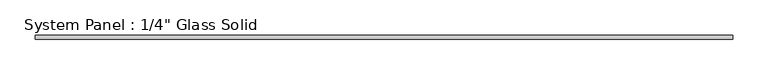
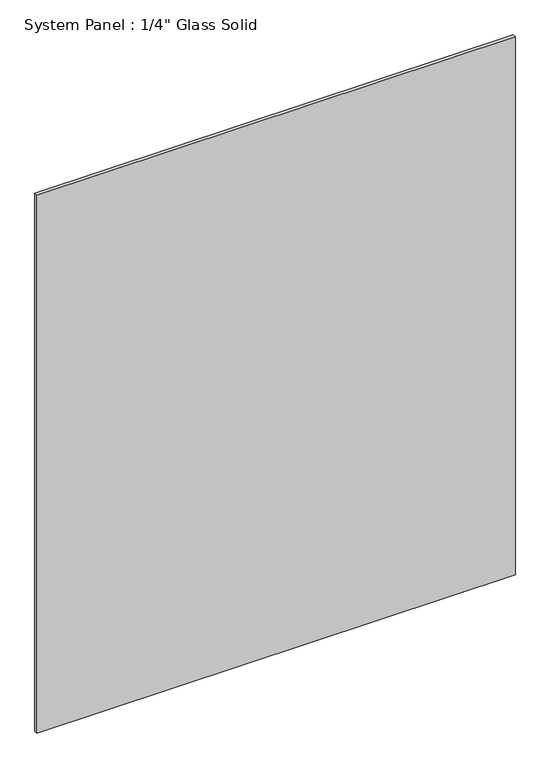
"""IFC4 building model written with IfcOpenShell, lengths in millimetres: plate geometry."""

from ifc_helpers import new_model, si_unit, origin, origin_with_axes, place, context, project, spatial, polyline, outline, extrude, source, transform, mapped, element, save


def plate_e91e85a3(model_context):
    return source(origin(), model_context, "Body", "SweptSolid", [
        extrude(outline(polyline([(498.4758852, -3.175), (-498.4758852, -3.175), (-498.4758852, 3.175), (498.4758852, 3.175), (498.4758852, -3.175)])), origin_with_axes(), (0.0, 0.0, 1.0), 1183.8469027),
    ])


if __name__ == "__main__":
    model = new_model("IFC4")
    model_context = context("Model", 3, world=origin())
    ifc_project = project(units=[si_unit("LENGTHUNIT", "METRE", prefix="MILLI")], contexts=[model_context])
    site = spatial("IfcSite", under=ifc_project)
    building = spatial("IfcBuilding", under=site)
    placement = place(None, origin())
    plate_shape = plate_e91e85a3(model_context)
    element("IfcPlate", 1, ObjectType="System Panel : 1/4\" Glass Solid", at=placement, inside=building, context=model_context, shape_type="MappedRepresentation", body=[
        mapped(plate_shape, transform((0.0, 0.0, 0.0), x_axis=(1.0, 0.0, 0.0), y_axis=(0.0, 1.0, 0.0), z_axis=(0.0, 0.0, 1.0))),
    ])
    save(model, "model.ifc")
